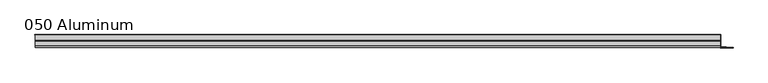
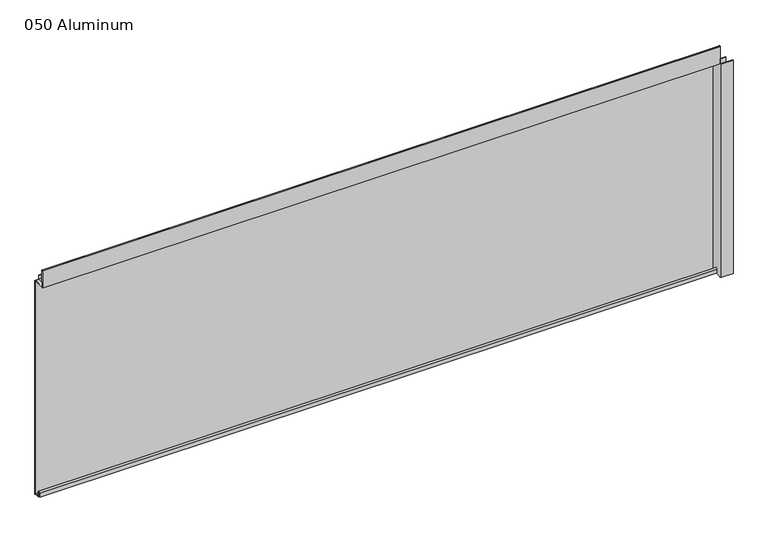
"""IFC4 building model written with IfcOpenShell, lengths in millimetres: plate geometry, 050 Aluminum."""

from ifc_helpers import new_model, si_unit, point, frame, frame_2d, origin, origin_with_axes, place, context, project, spatial, polyline, circle_curve, trimmed, segment, composite_curve, outline, extrude, source, transform, mapped, element, save


def plate_050_aluminum_ab7ce332(model_context):
    return source(origin(), model_context, "Body", "SweptSolid", [
        extrude(outline(composite_curve([segment(trimmed(circle_curve(frame_2d((19.8514743, 13.124237)), 3.175), [point((16.6765477, 13.1458337))], [point((23.0264743, 13.124237))], False, "CARTESIAN"), True, "CONTINUOUS"), segment(polyline([(23.0264743, 13.124237), (23.0264743, 1.2693678), (34.7980002, 1.2693678), (34.7980002, 0.0), (21.7564743, 0.0), (21.7564743, 13.124237)]), True, "CONTINUOUS"), segment(trimmed(circle_curve(frame_2d((19.8514743, 13.124237)), 1.905), [point((21.7564743, 13.124237))], [point((17.9464915, 13.1323356))], True, "CARTESIAN"), True, "CONTINUOUS"), segment(polyline([(17.9464915, 13.1323356), (17.9464915, 2.786437), (16.6765477, 2.786437), (16.6765477, 13.1458337)]), True, "CONTINUOUS")], self_intersect=False)), frame((-919.48, 0.0, 0.0), z_axis=(1.0, 0.0, 0.0), x_axis=(0.0, 1.0, 0.0)), (0.0, 0.0, 1.0), 1826.26),
        extrude(outline(composite_curve([segment(trimmed(circle_curve(frame_2d((3.7084742, 656.7932001)), 1.6509999), [point((2.0574743, 656.7932001))], [point((5.3594742, 656.7932001))], False, "CARTESIAN"), True, "CONTINUOUS"), segment(polyline([(5.3594742, 656.7932001), (5.3594742, 623.57), (19.2164743, 623.57), (19.2164743, 633.6538), (20.4864742, 633.6538), (20.4864742, 622.3), (4.0894742, 622.3), (4.0894742, 656.7932001)]), True, "CONTINUOUS"), segment(trimmed(circle_curve(frame_2d((3.7084742, 656.7932001)), 0.3809999), [point((4.0894742, 656.7932001))], [point((3.3274743, 656.7932001))], True, "CARTESIAN"), True, "CONTINUOUS"), segment(polyline([(3.3274743, 656.7932001), (3.3274743, 609.6000001), (34.7980002, 609.6000001), (34.7980002, 608.33), (2.0574743, 608.33), (2.0574743, 656.7932001)]), True, "CONTINUOUS")], self_intersect=False)), frame((-919.48, 0.0, 0.0), z_axis=(1.0, 0.0, 0.0), x_axis=(0.0, 1.0, 0.0)), (0.0, 0.0, 1.0), 1826.26),
        extrude(outline(polyline([(-920.75, 36.068), (908.05, 36.068), (908.05, 34.7980001), (-920.75, 34.7980001), (-920.75, 36.068)])), origin_with_axes(), (0.0, 0.0, 1.0), 609.6),
        extrude(outline(polyline([(908.05, 1.2699999), (940.5620856, 1.2699999), (940.5620856, 0.0), (906.7800001, 0.0), (906.7800001, 34.7980002), (908.05, 34.7980002), (908.05, 1.2699999)])), origin_with_axes(), (0.0, 0.0, 1.0), 608.33),
        extrude(outline(polyline([(906.78, 3.3274743), (922.5279999, 3.3274743), (922.5279999, 2.0574743), (906.78, 2.0574743), (906.78, 3.3274743)])), origin_with_axes(), (0.0, 0.0, 1.0), 622.3),
    ])


if __name__ == "__main__":
    model = new_model("IFC4")
    model_context = context("Model", 3, world=origin())
    ifc_project = project(units=[si_unit("LENGTHUNIT", "METRE", prefix="MILLI")], contexts=[model_context])
    site = spatial("IfcSite", under=ifc_project)
    building = spatial("IfcBuilding", under=site)
    placement = place(None, origin())
    plate_050_aluminum_shape = plate_050_aluminum_ab7ce332(model_context)
    element("IfcPlate", 1, ObjectType="050 Aluminum", at=placement, inside=building, context=model_context, shape_type="MappedRepresentation", body=[
        mapped(plate_050_aluminum_shape, transform((0.0, 0.0, 0.0), x_axis=(1.0, 0.0, 0.0), y_axis=(0.0, 1.0, 0.0), z_axis=(0.0, 0.0, 1.0))),
    ])
    save(model, "model.ifc")
